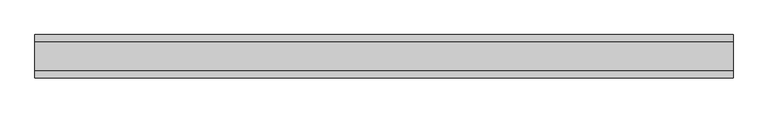
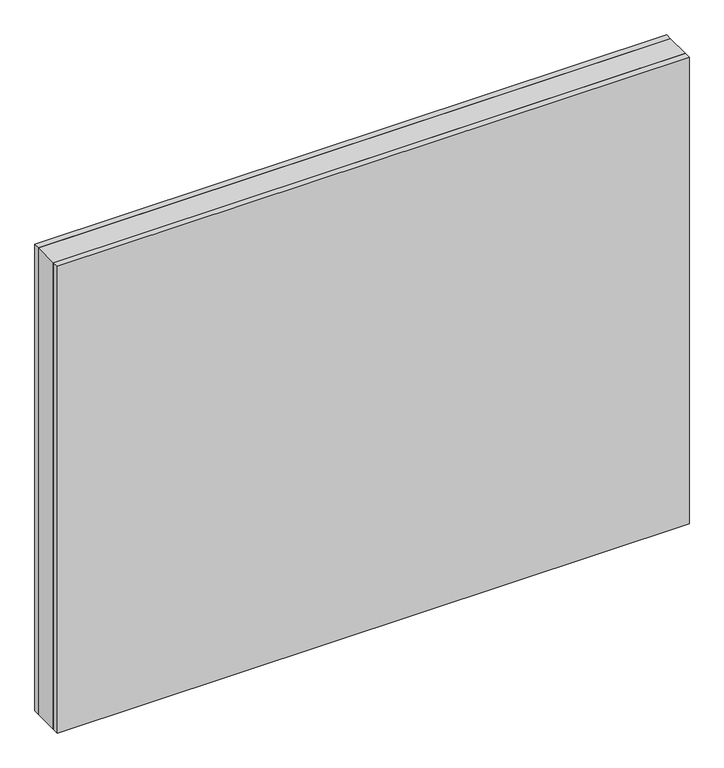
"""IFC4 building model written with IfcOpenShell, lengths in millimetres: plate geometry."""

import ifcopenshell
import ifcopenshell.guid

model = None  # the IFC model being written
_history = None  # IfcOwnerHistory: only IFC2X3 demands one
_inside = {}  # id of a spatial element -> (the spatial element, [elements in it])
_under = {}  # id of a project, library or spatial element -> (it, [spatial elements below it])
_declared = {}  # id of a project -> (the project, [libraries it declares])
_typed = {}  # id of a type object -> (the type object, [elements of that type])
_made_of = {}  # id of a material, layer set ... -> (it, [elements and type objects made of it])


def new_model(schema):
    """Start an empty IFC model of exactly this schema.

    Asked for "IFC4X3", IfcOpenShell would pick the latest addendum, in which some entities
    have other attributes; the version numbers below select the first issue.
    IFC2X3 requires an IfcOwnerHistory on every rooted entity: one is made here for all.
    """
    global model, _history
    if schema == "IFC4X3":
        model = ifcopenshell.file(schema_version=(4, 3, 0, 0))
    else:
        model = ifcopenshell.file(schema=schema)
    _inside.clear()
    _under.clear()
    _declared.clear()
    _typed.clear()
    _made_of.clear()
    _history = None
    if model.schema == "IFC2X3":
        org = make("IfcOrganization", Name="unknown")
        user = make(
            "IfcPersonAndOrganization",
            ThePerson=make("IfcPerson", FamilyName="unknown"),
            TheOrganization=org,
        )
        app = make(
            "IfcApplication",
            ApplicationDeveloper=org,
            Version="unknown",
            ApplicationFullName="unknown",
            ApplicationIdentifier="unknown",
        )
        _history = make(
            "IfcOwnerHistory",
            OwningUser=user,
            OwningApplication=app,
            ChangeAction="ADDED",
            CreationDate=0,
        )
    return model


def make(cls, **values):
    """One entity of the class cls with the attributes given. An attribute that is None is left unset."""
    return model.create_entity(
        cls, **{name: value for name, value in values.items() if value is not None}
    )


def rooted(cls, **values):
    """An entity with a GlobalId (a new one), such as an element, a storey or a relation."""
    return make(cls, GlobalId=ifcopenshell.guid.new(), OwnerHistory=_history, **values)


def si_unit(unit_type, name, prefix=None):
    """IfcSIUnit, for example si_unit("LENGTHUNIT", "METRE", prefix="MILLI")."""
    return make("IfcSIUnit", UnitType=unit_type, Prefix=prefix, Name=name)


def assignment(units):
    """IfcUnitAssignment: the units of a project."""
    return None if units is None else make("IfcUnitAssignment", Units=units)


def point(xyz):
    """IfcCartesianPoint."""
    return None if xyz is None else make("IfcCartesianPoint", Coordinates=xyz)


def direction(xyz):
    """IfcDirection."""
    return None if xyz is None else make("IfcDirection", DirectionRatios=xyz)


def frame(location, z_axis=None, x_axis=None):
    """IfcAxis2Placement3D, a coordinate frame: its origin and axes. An axis left out is left unset."""
    return make(
        "IfcAxis2Placement3D",
        Location=point(location),
        Axis=direction(z_axis),
        RefDirection=direction(x_axis),
    )


def origin():
    """The frame at (0, 0, 0) with its axes left unset."""
    return frame((0.0, 0.0, 0.0))


def origin_with_axes():
    """The frame at (0, 0, 0) with the z axis (0, 0, 1) and the x axis (1, 0, 0) written out."""
    return frame((0.0, 0.0, 0.0), z_axis=(0.0, 0.0, 1.0), x_axis=(1.0, 0.0, 0.0))


def place(relative_to, where):
    """IfcLocalPlacement: puts the frame where relative to a parent placement (None: the world)."""
    return make(
        "IfcLocalPlacement", PlacementRelTo=relative_to, RelativePlacement=where
    )


def context(
    kind, dimensions, precision=None, world=None, true_north=None, identifier=None
):
    """IfcGeometricRepresentationContext, for example the 3D "Model" context."""
    return make(
        "IfcGeometricRepresentationContext",
        ContextIdentifier=identifier,
        ContextType=kind,
        CoordinateSpaceDimension=dimensions,
        Precision=precision,
        WorldCoordinateSystem=world,
        TrueNorth=true_north,
    )


def project(units=None, contexts=None):
    """IfcProject with its units and contexts."""
    return rooted(
        "IfcProject",
        Name="project",
        RepresentationContexts=contexts,
        UnitsInContext=assignment(units),
    )


def spatial(cls, under=None, at=None, **own):
    """A site, building, storey or space (cls), placed at a placement, below another one or the project."""
    s = rooted(cls, ObjectPlacement=at, **own)
    if under is not None:
        _under.setdefault(under.id(), (under, []))[1].append(s)
    return s


def polyline(points):
    """IfcPolyline through the points."""
    return make("IfcPolyline", Points=[point(p) for p in points])


def outline(outer, holes=None, kind="AREA"):
    """IfcArbitraryClosedProfileDef: a profile drawn as a closed curve; with holes, ...WithVoids."""
    if holes is None:
        return make("IfcArbitraryClosedProfileDef", ProfileType=kind, OuterCurve=outer)
    return make(
        "IfcArbitraryProfileDefWithVoids",
        ProfileType=kind,
        OuterCurve=outer,
        InnerCurves=holes,
    )


def extrude(swept, where, along, depth):
    """IfcExtrudedAreaSolid: the profile swept, set in the frame where, extruded along a direction by depth."""
    return make(
        "IfcExtrudedAreaSolid",
        SweptArea=swept,
        Position=where,
        ExtrudedDirection=direction(along),
        Depth=depth,
    )


def shape(context_of_items, identifier, shape_type, items):
    """IfcShapeRepresentation: the items that make up one representation, for example the "Body"."""
    return make(
        "IfcShapeRepresentation",
        ContextOfItems=context_of_items,
        RepresentationIdentifier=identifier,
        RepresentationType=shape_type,
        Items=items,
    )


def source(mapping_origin, context_of_items, identifier, shape_type, items):
    """IfcRepresentationMap: a shape defined once, which mapped items show again and again."""
    return make(
        "IfcRepresentationMap",
        MappingOrigin=mapping_origin,
        MappedRepresentation=shape(context_of_items, identifier, shape_type, items),
    )


def transform(
    local_origin,
    x_axis=None,
    y_axis=None,
    z_axis=None,
    scale=None,
    scale2=None,
    scale3=None,
    uniform=True,
):
    """IfcCartesianTransformationOperator3D, or its non-uniform kind. x_axis, y_axis, z_axis: its Axis1, 2, 3."""
    if uniform:
        return make(
            "IfcCartesianTransformationOperator3D",
            Axis1=direction(x_axis),
            Axis2=direction(y_axis),
            LocalOrigin=point(local_origin),
            Scale=scale,
            Axis3=direction(z_axis),
        )
    return make(
        "IfcCartesianTransformationOperator3DnonUniform",
        Axis1=direction(x_axis),
        Axis2=direction(y_axis),
        LocalOrigin=point(local_origin),
        Scale=scale,
        Axis3=direction(z_axis),
        Scale2=scale2,
        Scale3=scale3,
    )


def mapped(mapping_source, mapping_target):
    """IfcMappedItem: shows the shape of a source again, moved by a transform."""
    return make(
        "IfcMappedItem", MappingSource=mapping_source, MappingTarget=mapping_target
    )


def made_of(thing, what):
    """Note that an element or type object is made of a material, layer set ...; save() writes the relation."""
    if what is not None:
        _made_of.setdefault(what.id(), (what, []))[1].append(thing)
    return thing


def element(
    cls,
    number,
    at=None,
    inside=None,
    cuts=None,
    type_object=None,
    material=None,
    context=None,
    identifier="Body",
    shape_type=None,
    held_by="IfcProductDefinitionShape",
    body=None,
    shapes=None,
    **own,
):
    """One element of the class cls, such as IfcWall. Its Tag is "e" and its number.

    at: its placement. inside: the storey or other place that contains it. cuts: it is an
    opening in that element (IfcRelVoidsElement). A single representation is given by context,
    identifier, shape_type and body (its items); several are given by shapes. held_by: the class
    of the entity that holds the representations. save() writes the other relations.
    """
    e = rooted(cls, Tag="e%d" % number, ObjectPlacement=at, **own)
    if body is not None:
        shapes = [shape(context, identifier, shape_type, body)]
    if shapes is not None:
        e.Representation = make(held_by, Representations=shapes)
    if inside is not None:
        _inside.setdefault(inside.id(), (inside, []))[1].append(e)
    if cuts is not None:
        rooted(
            "IfcRelVoidsElement", RelatingBuildingElement=cuts, RelatedOpeningElement=e
        )
    if type_object is not None:
        _typed.setdefault(type_object.id(), (type_object, []))[1].append(e)
    return made_of(e, material)


def aggregate(whole, parts):
    """IfcRelAggregates: a whole, such as a stair, and the parts it consists of."""
    return rooted("IfcRelAggregates", RelatingObject=whole, RelatedObjects=parts)


def save(model, path):
    """Write the relations noted so far, then the file.

    IfcRelAggregates (storeys below a building ...), IfcRelContainedInSpatialStructure (elements
    in a storey), IfcRelDefinesByType, IfcRelAssociatesMaterial and IfcRelDeclares: one each for
    every whole, place, type object, material and project.
    """
    for whole, parts in _under.values():
        aggregate(whole, parts)
    for where, things in _inside.values():
        rooted(
            "IfcRelContainedInSpatialStructure",
            RelatedElements=things,
            RelatingStructure=where,
        )
    for kind, things in _typed.values():
        rooted("IfcRelDefinesByType", RelatedObjects=things, RelatingType=kind)
    for what, things in _made_of.values():
        rooted("IfcRelAssociatesMaterial", RelatedObjects=things, RelatingMaterial=what)
    for by, libraries in _declared.values():
        rooted("IfcRelDeclares", RelatingContext=by, RelatedDefinitions=libraries)
    model.write(path)


def plate_b75ed0b5(model_context):
    return source(origin(), model_context, "Body", "SweptSolid", [
        extrude(outline(polyline([(602.1875001, 24.2), (602.1875001, -24.2), (-602.1875001, -24.2), (-602.1875001, 24.2), (602.1875001, 24.2)])), origin_with_axes(), (0.0, 0.0, 1.0), 940.75),
        extrude(outline(polyline([(602.1875001, 37.2), (602.1875001, 24.2), (-602.1875001, 24.2), (-602.1875001, 37.2), (602.1875001, 37.2)])), origin_with_axes(), (0.0, 0.0, 1.0), 940.75),
        extrude(outline(polyline([(-602.1875001, -37.2), (-602.1875001, -24.2), (602.1875001, -24.2), (602.1875001, -37.2), (-602.1875001, -37.2)])), origin_with_axes(), (0.0, 0.0, 1.0), 940.75),
    ])


if __name__ == "__main__":
    model = new_model("IFC4")
    model_context = context("Model", 3, world=origin())
    ifc_project = project(units=[si_unit("LENGTHUNIT", "METRE", prefix="MILLI")], contexts=[model_context])
    site = spatial("IfcSite", under=ifc_project)
    building = spatial("IfcBuilding", under=site)
    placement = place(None, origin())
    plate_shape = plate_b75ed0b5(model_context)
    element("IfcPlate", 1, at=placement, inside=building, context=model_context, shape_type="MappedRepresentation", body=[
        mapped(plate_shape, transform((0.0, 0.0, 0.0), x_axis=(1.0, 0.0, 0.0), y_axis=(0.0, 1.0, 0.0), z_axis=(0.0, 0.0, 1.0))),
    ])
    save(model, "model.ifc")
